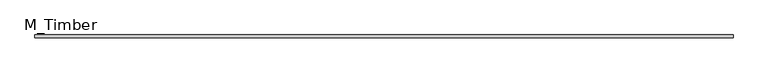
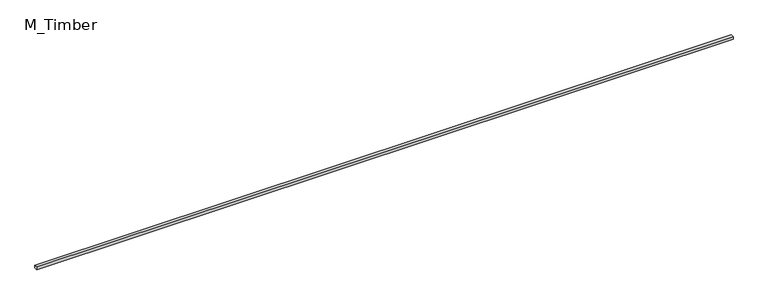
"""IFC4 building model written with IfcOpenShell, lengths in millimetres: beam geometry, M_Timber."""

from ifc_helpers import new_model, si_unit, frame, origin, place, context, project, spatial, polyline, outline, extrude, source, transform, mapped, element, save


def m_timber_3ba7a9d0(model_context):
    return source(origin(), model_context, "Body", "SweptSolid", [
        extrude(outline(polyline([(4614.1088117, 20.0), (4614.1088117, -20.0), (-4614.1088117, -20.0), (-4614.1088117, 20.0), (4614.1088117, 20.0)])), frame((0.0, 0.0, -20.0), z_axis=(0.0, 0.0, 1.0), x_axis=(1.0, 0.0, 0.0)), (0.0, 0.0, 1.0), 40.0),
    ])


if __name__ == "__main__":
    model = new_model("IFC4")
    model_context = context("Model", 3, world=origin())
    ifc_project = project(units=[si_unit("LENGTHUNIT", "METRE", prefix="MILLI")], contexts=[model_context])
    site = spatial("IfcSite", under=ifc_project)
    building = spatial("IfcBuilding", under=site)
    placement = place(None, origin())
    m_timber_shape = m_timber_3ba7a9d0(model_context)
    element("IfcBeam", 1, ObjectType="M_Timber", at=placement, inside=building, context=model_context, shape_type="MappedRepresentation", body=[
        mapped(m_timber_shape, transform((0.0, 0.0, 0.0), x_axis=(1.0, 0.0, 0.0), y_axis=(0.0, 1.0, 0.0), z_axis=(0.0, 0.0, 1.0))),
    ])
    save(model, "model.ifc")
